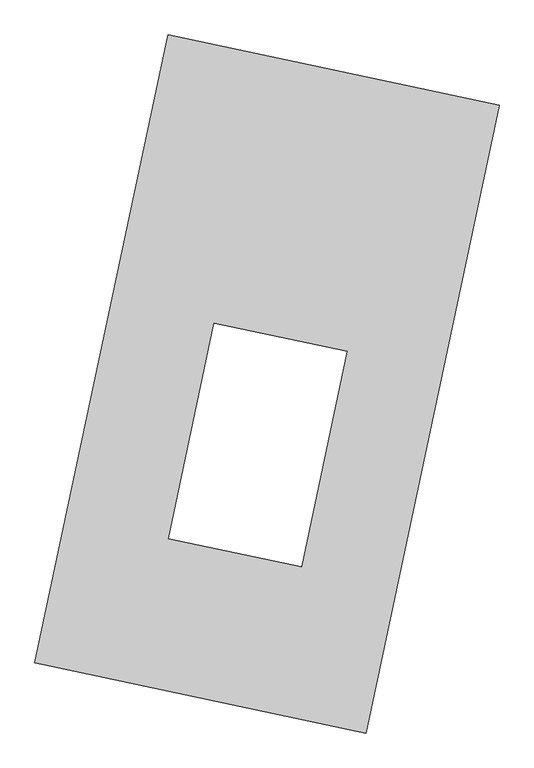
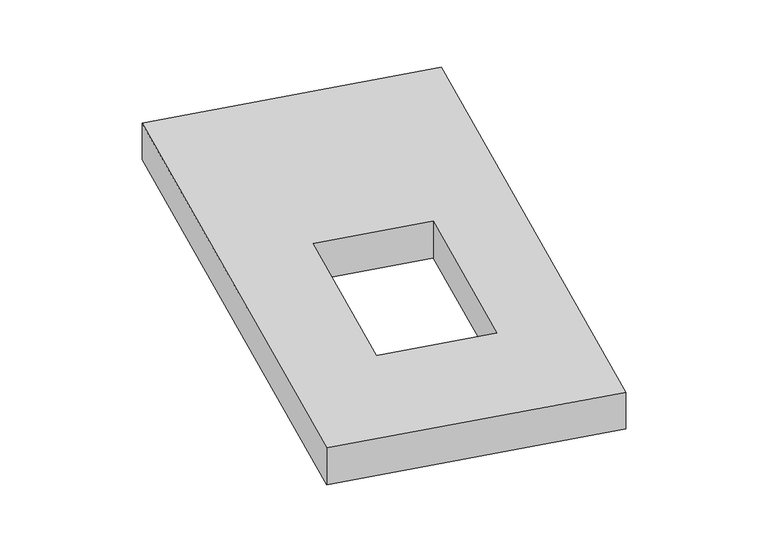
"""IFC4 building model written with IfcOpenShell, lengths in millimetres: proxy geometry."""

from ifc_helpers import new_model, si_unit, origin, origin_with_axes, place, context, project, spatial, polyline, outline, extrude, source, transform, mapped, element, save


def generic_models_6cca79a6(model_context):
    return source(origin(), model_context, "Body", "SweptSolid", [
        extrude(outline(polyline([(-617.3692021, 2175.5580432), (1447.7508745, 1737.3010494), (617.3692021, -2175.5580432), (-1447.7508745, -1737.3010494), (-617.3692021, 2175.5580432)]), holes=[polyline([(499.8814839, 203.5963253), (-328.8813393, 379.4752524), (-613.852475, -963.3432811), (214.9103482, -1139.2222082), (499.8814839, 203.5963253)])]), origin_with_axes(), (0.0, 0.0, 1.0), 300.0),
    ])


if __name__ == "__main__":
    model = new_model("IFC4")
    model_context = context("Model", 3, world=origin())
    ifc_project = project(units=[si_unit("LENGTHUNIT", "METRE", prefix="MILLI")], contexts=[model_context])
    site = spatial("IfcSite", under=ifc_project)
    building = spatial("IfcBuilding", under=site)
    placement = place(None, origin())
    generic_models_shape = generic_models_6cca79a6(model_context)
    element("IfcBuildingElementProxy", 1, Name="Generic Models", at=placement, inside=building, context=model_context, shape_type="MappedRepresentation", body=[
        mapped(generic_models_shape, transform((0.0, 0.0, 0.0), x_axis=(1.0, 0.0, 0.0), y_axis=(0.0, 1.0, 0.0), z_axis=(0.0, 0.0, 1.0))),
    ])
    save(model, "model.ifc")
